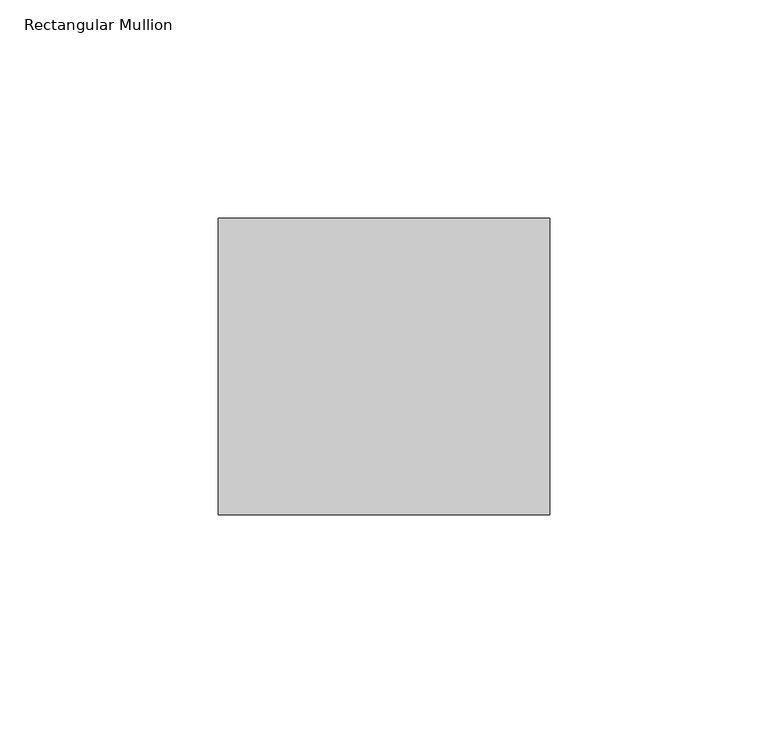
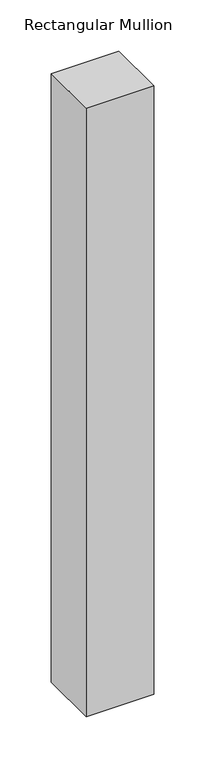
"""IFC4 building model written with IfcOpenShell, lengths in millimetres: member geometry, Rectangular Mullion."""

from ifc_helpers import new_model, si_unit, frame, origin, place, context, project, spatial, polyline, outline, extrude, source, transform, mapped, element, save


def rectangular_mullion_2ab1163b(model_context):
    return source(origin(), model_context, "Body", "SweptSolid", [
        extrude(outline(polyline([(38.0, 68.0), (38.0, 0.0), (-38.0, 0.0), (-38.0, 68.0), (38.0, 68.0)])), frame((0.0, 0.0, -724.0), z_axis=(0.0, 0.0, 1.0), x_axis=(1.0, 0.0, 0.0)), (0.0, 0.0, 1.0), 724.0),
    ])


if __name__ == "__main__":
    model = new_model("IFC4")
    model_context = context("Model", 3, world=origin())
    ifc_project = project(units=[si_unit("LENGTHUNIT", "METRE", prefix="MILLI")], contexts=[model_context])
    site = spatial("IfcSite", under=ifc_project)
    building = spatial("IfcBuilding", under=site)
    placement = place(None, origin())
    rectangular_mullion_shape = rectangular_mullion_2ab1163b(model_context)
    element("IfcMember", 1, ObjectType="Rectangular Mullion", at=placement, inside=building, context=model_context, shape_type="MappedRepresentation", body=[
        mapped(rectangular_mullion_shape, transform((0.0, 0.0, 0.0), x_axis=(1.0, 0.0, 0.0), y_axis=(0.0, 1.0, 0.0), z_axis=(0.0, 0.0, 1.0))),
    ])
    save(model, "model.ifc")
